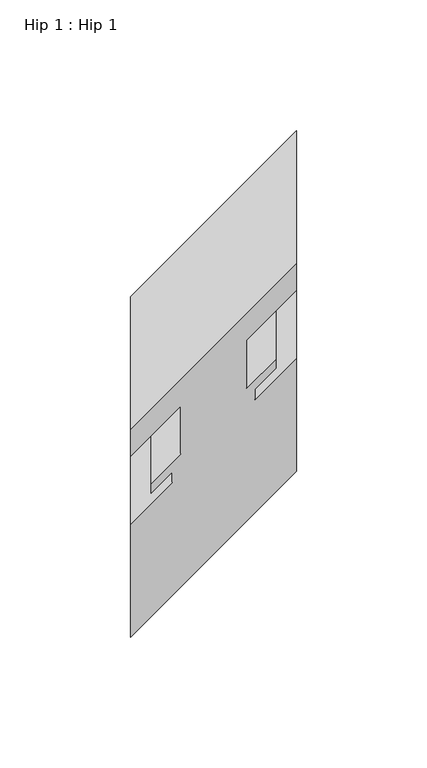
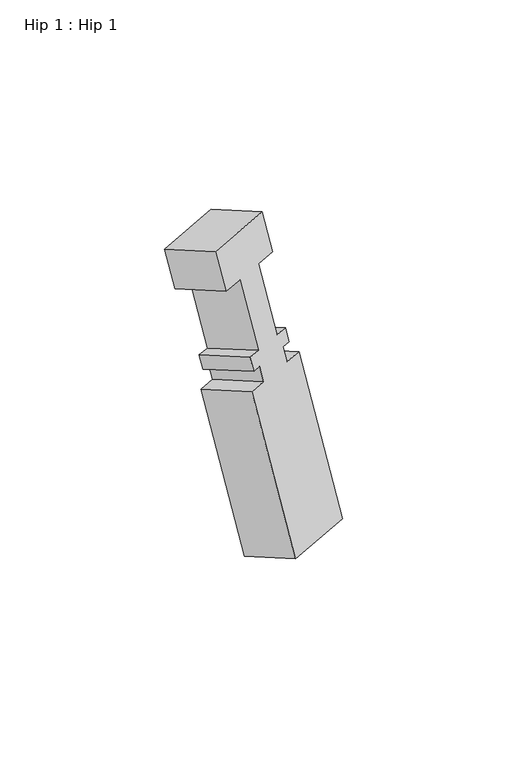
"""IFC4 building model written with IfcOpenShell, lengths in millimetres: proxy geometry, Hip 1 : Hip 1."""

import ifcopenshell
import ifcopenshell.guid

model = None  # the IFC model being written
_history = None  # IfcOwnerHistory: only IFC2X3 demands one
_inside = {}  # id of a spatial element -> (the spatial element, [elements in it])
_under = {}  # id of a project, library or spatial element -> (it, [spatial elements below it])
_declared = {}  # id of a project -> (the project, [libraries it declares])
_typed = {}  # id of a type object -> (the type object, [elements of that type])
_made_of = {}  # id of a material, layer set ... -> (it, [elements and type objects made of it])


def new_model(schema):
    """Start an empty IFC model of exactly this schema.

    Asked for "IFC4X3", IfcOpenShell would pick the latest addendum, in which some entities
    have other attributes; the version numbers below select the first issue.
    IFC2X3 requires an IfcOwnerHistory on every rooted entity: one is made here for all.
    """
    global model, _history
    if schema == "IFC4X3":
        model = ifcopenshell.file(schema_version=(4, 3, 0, 0))
    else:
        model = ifcopenshell.file(schema=schema)
    _inside.clear()
    _under.clear()
    _declared.clear()
    _typed.clear()
    _made_of.clear()
    _history = None
    if model.schema == "IFC2X3":
        org = make("IfcOrganization", Name="unknown")
        user = make(
            "IfcPersonAndOrganization",
            ThePerson=make("IfcPerson", FamilyName="unknown"),
            TheOrganization=org,
        )
        app = make(
            "IfcApplication",
            ApplicationDeveloper=org,
            Version="unknown",
            ApplicationFullName="unknown",
            ApplicationIdentifier="unknown",
        )
        _history = make(
            "IfcOwnerHistory",
            OwningUser=user,
            OwningApplication=app,
            ChangeAction="ADDED",
            CreationDate=0,
        )
    return model


def make(cls, **values):
    """One entity of the class cls with the attributes given. An attribute that is None is left unset."""
    return model.create_entity(
        cls, **{name: value for name, value in values.items() if value is not None}
    )


def rooted(cls, **values):
    """An entity with a GlobalId (a new one), such as an element, a storey or a relation."""
    return make(cls, GlobalId=ifcopenshell.guid.new(), OwnerHistory=_history, **values)


def si_unit(unit_type, name, prefix=None):
    """IfcSIUnit, for example si_unit("LENGTHUNIT", "METRE", prefix="MILLI")."""
    return make("IfcSIUnit", UnitType=unit_type, Prefix=prefix, Name=name)


def assignment(units):
    """IfcUnitAssignment: the units of a project."""
    return None if units is None else make("IfcUnitAssignment", Units=units)


def point(xyz):
    """IfcCartesianPoint."""
    return None if xyz is None else make("IfcCartesianPoint", Coordinates=xyz)


def direction(xyz):
    """IfcDirection."""
    return None if xyz is None else make("IfcDirection", DirectionRatios=xyz)


def frame(location, z_axis=None, x_axis=None):
    """IfcAxis2Placement3D, a coordinate frame: its origin and axes. An axis left out is left unset."""
    return make(
        "IfcAxis2Placement3D",
        Location=point(location),
        Axis=direction(z_axis),
        RefDirection=direction(x_axis),
    )


def origin():
    """The frame at (0, 0, 0) with its axes left unset."""
    return frame((0.0, 0.0, 0.0))


def place(relative_to, where):
    """IfcLocalPlacement: puts the frame where relative to a parent placement (None: the world)."""
    return make(
        "IfcLocalPlacement", PlacementRelTo=relative_to, RelativePlacement=where
    )


def context(
    kind, dimensions, precision=None, world=None, true_north=None, identifier=None
):
    """IfcGeometricRepresentationContext, for example the 3D "Model" context."""
    return make(
        "IfcGeometricRepresentationContext",
        ContextIdentifier=identifier,
        ContextType=kind,
        CoordinateSpaceDimension=dimensions,
        Precision=precision,
        WorldCoordinateSystem=world,
        TrueNorth=true_north,
    )


def project(units=None, contexts=None):
    """IfcProject with its units and contexts."""
    return rooted(
        "IfcProject",
        Name="project",
        RepresentationContexts=contexts,
        UnitsInContext=assignment(units),
    )


def spatial(cls, under=None, at=None, **own):
    """A site, building, storey or space (cls), placed at a placement, below another one or the project."""
    s = rooted(cls, ObjectPlacement=at, **own)
    if under is not None:
        _under.setdefault(under.id(), (under, []))[1].append(s)
    return s


def faces_of(points, faces, orient=None, outer=None):
    """IfcFace entities. A face is a list of loops; a loop is a list of indices into points, from 0.

    orient and outer hold one flag for each loop. By default every Orientation is true, the
    first loop of a face is its IfcFaceOuterBound and the others are IfcFaceBound.
    """
    made = []
    for i, loops in enumerate(faces):
        bounds = []
        for j, loop in enumerate(loops):
            is_outer = j == 0 if outer is None else outer[i][j]
            bounds.append(
                make(
                    "IfcFaceOuterBound" if is_outer else "IfcFaceBound",
                    Bound=make("IfcPolyLoop", Polygon=[points[k] for k in loop]),
                    Orientation=True if orient is None else orient[i][j],
                )
            )
        made.append(make("IfcFace", Bounds=bounds))
    return made


def faceted_brep(points, faces, orient=None, outer=None, voids=None):
    """IfcFacetedBrep: a solid bounded by flat faces; with voids (closed shells), ...WithVoids."""
    shared = [point(p) for p in points]
    hull = make("IfcClosedShell", CfsFaces=faces_of(shared, faces, orient, outer))
    if voids is None:
        return make("IfcFacetedBrep", Outer=hull)
    return make(
        "IfcFacetedBrepWithVoids",
        Outer=hull,
        Voids=[
            make(cls, CfsFaces=faces_of(shared, fs, o, b)) for cls, fs, o, b in voids
        ],
    )


def shape(context_of_items, identifier, shape_type, items):
    """IfcShapeRepresentation: the items that make up one representation, for example the "Body"."""
    return make(
        "IfcShapeRepresentation",
        ContextOfItems=context_of_items,
        RepresentationIdentifier=identifier,
        RepresentationType=shape_type,
        Items=items,
    )


def source(mapping_origin, context_of_items, identifier, shape_type, items):
    """IfcRepresentationMap: a shape defined once, which mapped items show again and again."""
    return make(
        "IfcRepresentationMap",
        MappingOrigin=mapping_origin,
        MappedRepresentation=shape(context_of_items, identifier, shape_type, items),
    )


def transform(
    local_origin,
    x_axis=None,
    y_axis=None,
    z_axis=None,
    scale=None,
    scale2=None,
    scale3=None,
    uniform=True,
):
    """IfcCartesianTransformationOperator3D, or its non-uniform kind. x_axis, y_axis, z_axis: its Axis1, 2, 3."""
    if uniform:
        return make(
            "IfcCartesianTransformationOperator3D",
            Axis1=direction(x_axis),
            Axis2=direction(y_axis),
            LocalOrigin=point(local_origin),
            Scale=scale,
            Axis3=direction(z_axis),
        )
    return make(
        "IfcCartesianTransformationOperator3DnonUniform",
        Axis1=direction(x_axis),
        Axis2=direction(y_axis),
        LocalOrigin=point(local_origin),
        Scale=scale,
        Axis3=direction(z_axis),
        Scale2=scale2,
        Scale3=scale3,
    )


def mapped(mapping_source, mapping_target):
    """IfcMappedItem: shows the shape of a source again, moved by a transform."""
    return make(
        "IfcMappedItem", MappingSource=mapping_source, MappingTarget=mapping_target
    )


def made_of(thing, what):
    """Note that an element or type object is made of a material, layer set ...; save() writes the relation."""
    if what is not None:
        _made_of.setdefault(what.id(), (what, []))[1].append(thing)
    return thing


def element(
    cls,
    number,
    at=None,
    inside=None,
    cuts=None,
    type_object=None,
    material=None,
    context=None,
    identifier="Body",
    shape_type=None,
    held_by="IfcProductDefinitionShape",
    body=None,
    shapes=None,
    **own,
):
    """One element of the class cls, such as IfcWall. Its Tag is "e" and its number.

    at: its placement. inside: the storey or other place that contains it. cuts: it is an
    opening in that element (IfcRelVoidsElement). A single representation is given by context,
    identifier, shape_type and body (its items); several are given by shapes. held_by: the class
    of the entity that holds the representations. save() writes the other relations.
    """
    e = rooted(cls, Tag="e%d" % number, ObjectPlacement=at, **own)
    if body is not None:
        shapes = [shape(context, identifier, shape_type, body)]
    if shapes is not None:
        e.Representation = make(held_by, Representations=shapes)
    if inside is not None:
        _inside.setdefault(inside.id(), (inside, []))[1].append(e)
    if cuts is not None:
        rooted(
            "IfcRelVoidsElement", RelatingBuildingElement=cuts, RelatedOpeningElement=e
        )
    if type_object is not None:
        _typed.setdefault(type_object.id(), (type_object, []))[1].append(e)
    return made_of(e, material)


def aggregate(whole, parts):
    """IfcRelAggregates: a whole, such as a stair, and the parts it consists of."""
    return rooted("IfcRelAggregates", RelatingObject=whole, RelatedObjects=parts)


def save(model, path):
    """Write the relations noted so far, then the file.

    IfcRelAggregates (storeys below a building ...), IfcRelContainedInSpatialStructure (elements
    in a storey), IfcRelDefinesByType, IfcRelAssociatesMaterial and IfcRelDeclares: one each for
    every whole, place, type object, material and project.
    """
    for whole, parts in _under.values():
        aggregate(whole, parts)
    for where, things in _inside.values():
        rooted(
            "IfcRelContainedInSpatialStructure",
            RelatedElements=things,
            RelatingStructure=where,
        )
    for kind, things in _typed.values():
        rooted("IfcRelDefinesByType", RelatedObjects=things, RelatingType=kind)
    for what, things in _made_of.values():
        rooted("IfcRelAssociatesMaterial", RelatedObjects=things, RelatingMaterial=what)
    for by, libraries in _declared.values():
        rooted("IfcRelDeclares", RelatingContext=by, RelatedDefinitions=libraries)
    model.write(path)


def hip_1_hip_1_8e10ccc9(model_context):
    return source(origin(), model_context, "Body", "Brep", [
        faceted_brep([(-5864.2192107, 11057.4823081, 646.9132135), (-5864.2192107, 11108.1497885, 617.66033), (-5927.7192107, 11044.6497885, 654.3220721), (-5927.7192107, 10993.9823081, 683.5749555), (-5927.7192107, 11034.3310385, 636.4494728), (-5927.7192107, 10983.6635581, 665.7023563), (-5908.6692107, 11053.3619885, 625.4179546), (-5908.6692107, 11002.6945081, 654.6708381), (-5908.6692107, 11034.9838979, 593.5861679), (-5908.6692107, 10984.3164175, 622.8390514), (-5919.7944107, 11023.8586979, 600.0093051), (-5919.7944107, 10973.1912175, 629.2621886), (-5919.7944107, 11020.2276885, 593.7202124), (-5919.7944107, 10969.5602081, 622.9730959), (-5911.8442107, 11028.1778885, 589.1301623), (-5911.8442107, 10977.5104081, 618.3830458), (-5911.8442107, 11024.2281885, 582.2890812), (-5911.8442107, 10973.5607081, 611.5419647), (-5927.7192107, 11008.3531885, 591.4545167), (-5927.7192107, 10957.6857081, 620.7074002), (-5927.7192107, 10965.0842885, 516.5105835), (-5927.7192107, 10914.4168081, 545.763467), (-5864.2192107, 11028.5842885, 479.8488415), (-5864.2192107, 10977.9168081, 509.1017249), (-5864.2192107, 11071.8531885, 554.7927746), (-5864.2192107, 11021.1857081, 584.0456581), (-5880.0942107, 11055.9781885, 563.9582102), (-5880.0942107, 11005.3107081, 593.2110936), (-5880.0942107, 11059.9278885, 570.7992912), (-5880.0942107, 11009.2604081, 600.0521747), (-5872.1440107, 11067.8780885, 566.2092411), (-5872.1440107, 11017.2106081, 595.4621246), (-5872.1440107, 11071.4594885, 572.4124079), (-5872.1440107, 11020.7920081, 601.6652914), (-5883.2692107, 11060.3342885, 578.8355451), (-5883.2692107, 11009.6668081, 608.0884286), (-5883.2692107, 11078.7619885, 610.7532578), (-5883.2692107, 11028.0945081, 640.0061412), (-5864.2192107, 11097.8119885, 599.7547351), (-5864.2192107, 11047.1445081, 629.0076186)], [[[0, 1, 2, 3]], [[3, 2, 4, 5]], [[5, 4, 6, 7]], [[7, 6, 8, 9]], [[9, 8, 10, 11]], [[11, 10, 12, 13]], [[13, 12, 14, 15]], [[15, 14, 16, 17]], [[17, 16, 18, 19]], [[19, 18, 20, 21]], [[21, 20, 22, 23]], [[23, 22, 24, 25]], [[25, 24, 26, 27]], [[27, 26, 28, 29]], [[29, 28, 30, 31]], [[31, 30, 32, 33]], [[33, 32, 34, 35]], [[35, 34, 36, 37]], [[37, 36, 38, 39]], [[1, 0, 39, 38]], [[2, 1, 38, 36, 34, 32, 30, 28, 26, 24, 22, 20, 18, 16, 14, 12, 10, 8, 6, 4]], [[0, 3, 5, 7, 9, 11, 13, 15, 17, 19, 21, 23, 25, 27, 29, 31, 33, 35, 37, 39]]]),
    ])


if __name__ == "__main__":
    model = new_model("IFC4")
    model_context = context("Model", 3, world=origin())
    ifc_project = project(units=[si_unit("LENGTHUNIT", "METRE", prefix="MILLI")], contexts=[model_context])
    site = spatial("IfcSite", under=ifc_project)
    building = spatial("IfcBuilding", under=site)
    placement = place(None, origin())
    hip_1_hip_1_shape = hip_1_hip_1_8e10ccc9(model_context)
    element("IfcBuildingElementProxy", 1, Name="Hip 1 : Hip 1", ObjectType="Hip 1 : Hip 1", at=placement, inside=building, context=model_context, shape_type="MappedRepresentation", body=[
        mapped(hip_1_hip_1_shape, transform((0.0, 0.0, 0.0), x_axis=(1.0, 0.0, 0.0), y_axis=(0.0, 1.0, 0.0), z_axis=(0.0, 0.0, 1.0))),
    ])
    save(model, "model.ifc")
